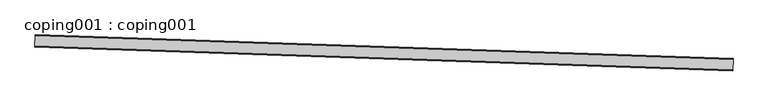
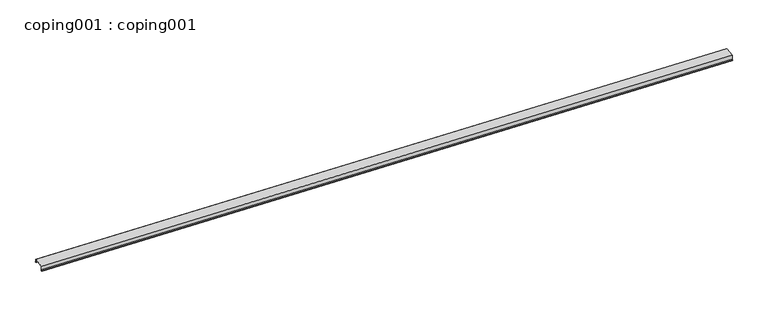
"""IFC4 building model written with IfcOpenShell, lengths in millimetres: proxy geometry, coping001 : coping001."""

from ifc_helpers import new_model, si_unit, frame, origin, place, context, project, spatial, polyline, outline, extrude, source, transform, mapped, element, save


def coping001_coping001_c494b12b(model_context):
    return source(origin(), model_context, "Body", "SweptSolid", [
        extrude(outline(polyline([(13.0424717, 0.0), (14.0484758, 11.4571131), (15.6299722, 11.3191802), (14.4966879, -1.5874956), (-1.7324881, -1.5874609), (0.5935008, 24.9026068), (-36.3396611, 68.919851), (176.5690024, 218.5444662), (236.9795369, 146.5466975), (269.6704563, 143.6955029), (266.8504399, 127.6996711), (253.3350414, 128.8784397), (253.4739362, 130.4602792), (265.5396979, 129.4079431), (267.8061773, 142.2647658), (236.186081, 145.0225668), (176.2895389, 216.4077553), (-34.0120847, 68.6152587), (2.2319689, 25.4192994), (0.0, 0.0), (13.0424717, 0.0)])), frame((34363.5441379, -15208.3983268, 5742.0813663), z_axis=(-0.9994149479164116, 0.03420178184300584, 0.0), x_axis=(-0.02620058068865387, -0.7656107539874974, -0.642770334528806)), (0.0, 0.0, 1.0), 17068.8),
    ])


if __name__ == "__main__":
    model = new_model("IFC4")
    model_context = context("Model", 3, world=origin())
    ifc_project = project(units=[si_unit("LENGTHUNIT", "METRE", prefix="MILLI")], contexts=[model_context])
    site = spatial("IfcSite", under=ifc_project)
    building = spatial("IfcBuilding", under=site)
    placement = place(None, origin())
    coping001_coping001_shape = coping001_coping001_c494b12b(model_context)
    element("IfcBuildingElementProxy", 1, Name="coping001 : coping001", ObjectType="coping001 : coping001", at=placement, inside=building, context=model_context, shape_type="MappedRepresentation", body=[
        mapped(coping001_coping001_shape, transform((0.0, 0.0, 0.0), x_axis=(1.0, 0.0, 0.0), y_axis=(0.0, 1.0, 0.0), z_axis=(0.0, 0.0, 1.0))),
    ])
    save(model, "model.ifc")
